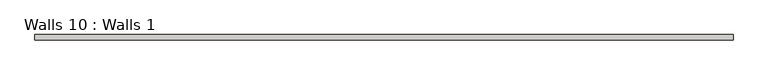
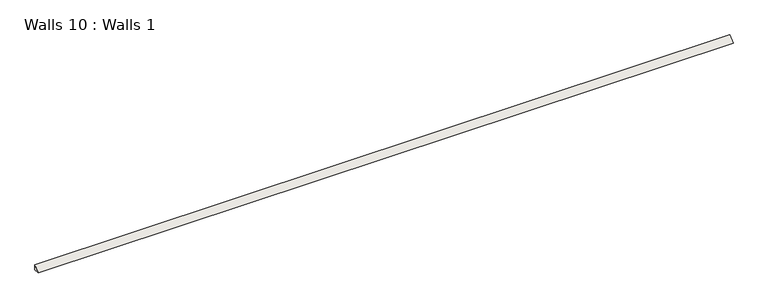
"""IFC4 building model written with IfcOpenShell, lengths in millimetres: wall geometry, Walls 10 : Walls 1."""

from ifc_helpers import new_model, si_unit, frame, origin, place, context, project, spatial, polyline, outline, extrude, source, transform, mapped, element, save


def walls_10_walls_1_ec52b781(model_context):
    return source(origin(), model_context, "Body", "SweptSolid", [
        extrude(outline(polyline([(1062.3113402, 19.05), (1062.3113402, 0.0), (1043.2613402, 0.0), (1062.3113402, 19.05)])), frame((1879.6350462, 0.0, 0.0), z_axis=(1.0, 0.0, 0.0), x_axis=(0.0, 1.0, 0.0)), (0.0, 0.0, 1.0), 2438.4),
    ])


if __name__ == "__main__":
    model = new_model("IFC4")
    model_context = context("Model", 3, world=origin())
    ifc_project = project(units=[si_unit("LENGTHUNIT", "METRE", prefix="MILLI")], contexts=[model_context])
    site = spatial("IfcSite", under=ifc_project)
    building = spatial("IfcBuilding", under=site)
    placement = place(None, origin())
    walls_10_walls_1_shape = walls_10_walls_1_ec52b781(model_context)
    element("IfcWall", 1, ObjectType="Walls 10 : Walls 1", at=placement, inside=building, context=model_context, shape_type="MappedRepresentation", body=[
        mapped(walls_10_walls_1_shape, transform((0.0, 0.0, 0.0), x_axis=(1.0, 0.0, 0.0), y_axis=(0.0, 1.0, 0.0), z_axis=(0.0, 0.0, 1.0))),
    ])
    save(model, "model.ifc")
